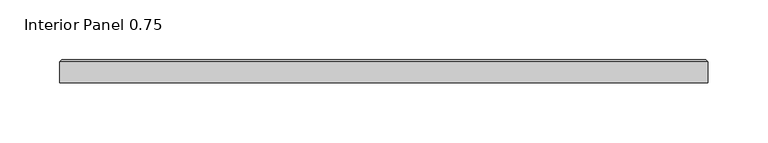
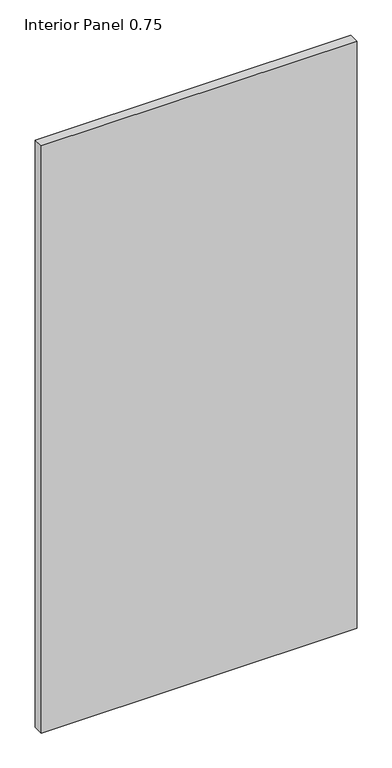
"""IFC4 building model written with IfcOpenShell, lengths in millimetres: proxy geometry, Interior Panel 0.75."""

import ifcopenshell
import ifcopenshell.guid

model = None  # the IFC model being written
_history = None  # IfcOwnerHistory: only IFC2X3 demands one
_inside = {}  # id of a spatial element -> (the spatial element, [elements in it])
_under = {}  # id of a project, library or spatial element -> (it, [spatial elements below it])
_declared = {}  # id of a project -> (the project, [libraries it declares])
_typed = {}  # id of a type object -> (the type object, [elements of that type])
_made_of = {}  # id of a material, layer set ... -> (it, [elements and type objects made of it])


def new_model(schema):
    """Start an empty IFC model of exactly this schema.

    Asked for "IFC4X3", IfcOpenShell would pick the latest addendum, in which some entities
    have other attributes; the version numbers below select the first issue.
    IFC2X3 requires an IfcOwnerHistory on every rooted entity: one is made here for all.
    """
    global model, _history
    if schema == "IFC4X3":
        model = ifcopenshell.file(schema_version=(4, 3, 0, 0))
    else:
        model = ifcopenshell.file(schema=schema)
    _inside.clear()
    _under.clear()
    _declared.clear()
    _typed.clear()
    _made_of.clear()
    _history = None
    if model.schema == "IFC2X3":
        org = make("IfcOrganization", Name="unknown")
        user = make(
            "IfcPersonAndOrganization",
            ThePerson=make("IfcPerson", FamilyName="unknown"),
            TheOrganization=org,
        )
        app = make(
            "IfcApplication",
            ApplicationDeveloper=org,
            Version="unknown",
            ApplicationFullName="unknown",
            ApplicationIdentifier="unknown",
        )
        _history = make(
            "IfcOwnerHistory",
            OwningUser=user,
            OwningApplication=app,
            ChangeAction="ADDED",
            CreationDate=0,
        )
    return model


def make(cls, **values):
    """One entity of the class cls with the attributes given. An attribute that is None is left unset."""
    return model.create_entity(
        cls, **{name: value for name, value in values.items() if value is not None}
    )


def rooted(cls, **values):
    """An entity with a GlobalId (a new one), such as an element, a storey or a relation."""
    return make(cls, GlobalId=ifcopenshell.guid.new(), OwnerHistory=_history, **values)


def si_unit(unit_type, name, prefix=None):
    """IfcSIUnit, for example si_unit("LENGTHUNIT", "METRE", prefix="MILLI")."""
    return make("IfcSIUnit", UnitType=unit_type, Prefix=prefix, Name=name)


def assignment(units):
    """IfcUnitAssignment: the units of a project."""
    return None if units is None else make("IfcUnitAssignment", Units=units)


def point(xyz):
    """IfcCartesianPoint."""
    return None if xyz is None else make("IfcCartesianPoint", Coordinates=xyz)


def direction(xyz):
    """IfcDirection."""
    return None if xyz is None else make("IfcDirection", DirectionRatios=xyz)


def frame(location, z_axis=None, x_axis=None):
    """IfcAxis2Placement3D, a coordinate frame: its origin and axes. An axis left out is left unset."""
    return make(
        "IfcAxis2Placement3D",
        Location=point(location),
        Axis=direction(z_axis),
        RefDirection=direction(x_axis),
    )


def origin():
    """The frame at (0, 0, 0) with its axes left unset."""
    return frame((0.0, 0.0, 0.0))


def place(relative_to, where):
    """IfcLocalPlacement: puts the frame where relative to a parent placement (None: the world)."""
    return make(
        "IfcLocalPlacement", PlacementRelTo=relative_to, RelativePlacement=where
    )


def context(
    kind, dimensions, precision=None, world=None, true_north=None, identifier=None
):
    """IfcGeometricRepresentationContext, for example the 3D "Model" context."""
    return make(
        "IfcGeometricRepresentationContext",
        ContextIdentifier=identifier,
        ContextType=kind,
        CoordinateSpaceDimension=dimensions,
        Precision=precision,
        WorldCoordinateSystem=world,
        TrueNorth=true_north,
    )


def project(units=None, contexts=None):
    """IfcProject with its units and contexts."""
    return rooted(
        "IfcProject",
        Name="project",
        RepresentationContexts=contexts,
        UnitsInContext=assignment(units),
    )


def spatial(cls, under=None, at=None, **own):
    """A site, building, storey or space (cls), placed at a placement, below another one or the project."""
    s = rooted(cls, ObjectPlacement=at, **own)
    if under is not None:
        _under.setdefault(under.id(), (under, []))[1].append(s)
    return s


def faces_of(points, faces, orient=None, outer=None):
    """IfcFace entities. A face is a list of loops; a loop is a list of indices into points, from 0.

    orient and outer hold one flag for each loop. By default every Orientation is true, the
    first loop of a face is its IfcFaceOuterBound and the others are IfcFaceBound.
    """
    made = []
    for i, loops in enumerate(faces):
        bounds = []
        for j, loop in enumerate(loops):
            is_outer = j == 0 if outer is None else outer[i][j]
            bounds.append(
                make(
                    "IfcFaceOuterBound" if is_outer else "IfcFaceBound",
                    Bound=make("IfcPolyLoop", Polygon=[points[k] for k in loop]),
                    Orientation=True if orient is None else orient[i][j],
                )
            )
        made.append(make("IfcFace", Bounds=bounds))
    return made


def faceted_brep(points, faces, orient=None, outer=None, voids=None):
    """IfcFacetedBrep: a solid bounded by flat faces; with voids (closed shells), ...WithVoids."""
    shared = [point(p) for p in points]
    hull = make("IfcClosedShell", CfsFaces=faces_of(shared, faces, orient, outer))
    if voids is None:
        return make("IfcFacetedBrep", Outer=hull)
    return make(
        "IfcFacetedBrepWithVoids",
        Outer=hull,
        Voids=[
            make(cls, CfsFaces=faces_of(shared, fs, o, b)) for cls, fs, o, b in voids
        ],
    )


def shape(context_of_items, identifier, shape_type, items):
    """IfcShapeRepresentation: the items that make up one representation, for example the "Body"."""
    return make(
        "IfcShapeRepresentation",
        ContextOfItems=context_of_items,
        RepresentationIdentifier=identifier,
        RepresentationType=shape_type,
        Items=items,
    )


def source(mapping_origin, context_of_items, identifier, shape_type, items):
    """IfcRepresentationMap: a shape defined once, which mapped items show again and again."""
    return make(
        "IfcRepresentationMap",
        MappingOrigin=mapping_origin,
        MappedRepresentation=shape(context_of_items, identifier, shape_type, items),
    )


def transform(
    local_origin,
    x_axis=None,
    y_axis=None,
    z_axis=None,
    scale=None,
    scale2=None,
    scale3=None,
    uniform=True,
):
    """IfcCartesianTransformationOperator3D, or its non-uniform kind. x_axis, y_axis, z_axis: its Axis1, 2, 3."""
    if uniform:
        return make(
            "IfcCartesianTransformationOperator3D",
            Axis1=direction(x_axis),
            Axis2=direction(y_axis),
            LocalOrigin=point(local_origin),
            Scale=scale,
            Axis3=direction(z_axis),
        )
    return make(
        "IfcCartesianTransformationOperator3DnonUniform",
        Axis1=direction(x_axis),
        Axis2=direction(y_axis),
        LocalOrigin=point(local_origin),
        Scale=scale,
        Axis3=direction(z_axis),
        Scale2=scale2,
        Scale3=scale3,
    )


def mapped(mapping_source, mapping_target):
    """IfcMappedItem: shows the shape of a source again, moved by a transform."""
    return make(
        "IfcMappedItem", MappingSource=mapping_source, MappingTarget=mapping_target
    )


def made_of(thing, what):
    """Note that an element or type object is made of a material, layer set ...; save() writes the relation."""
    if what is not None:
        _made_of.setdefault(what.id(), (what, []))[1].append(thing)
    return thing


def element(
    cls,
    number,
    at=None,
    inside=None,
    cuts=None,
    type_object=None,
    material=None,
    context=None,
    identifier="Body",
    shape_type=None,
    held_by="IfcProductDefinitionShape",
    body=None,
    shapes=None,
    **own,
):
    """One element of the class cls, such as IfcWall. Its Tag is "e" and its number.

    at: its placement. inside: the storey or other place that contains it. cuts: it is an
    opening in that element (IfcRelVoidsElement). A single representation is given by context,
    identifier, shape_type and body (its items); several are given by shapes. held_by: the class
    of the entity that holds the representations. save() writes the other relations.
    """
    e = rooted(cls, Tag="e%d" % number, ObjectPlacement=at, **own)
    if body is not None:
        shapes = [shape(context, identifier, shape_type, body)]
    if shapes is not None:
        e.Representation = make(held_by, Representations=shapes)
    if inside is not None:
        _inside.setdefault(inside.id(), (inside, []))[1].append(e)
    if cuts is not None:
        rooted(
            "IfcRelVoidsElement", RelatingBuildingElement=cuts, RelatedOpeningElement=e
        )
    if type_object is not None:
        _typed.setdefault(type_object.id(), (type_object, []))[1].append(e)
    return made_of(e, material)


def aggregate(whole, parts):
    """IfcRelAggregates: a whole, such as a stair, and the parts it consists of."""
    return rooted("IfcRelAggregates", RelatingObject=whole, RelatedObjects=parts)


def save(model, path):
    """Write the relations noted so far, then the file.

    IfcRelAggregates (storeys below a building ...), IfcRelContainedInSpatialStructure (elements
    in a storey), IfcRelDefinesByType, IfcRelAssociatesMaterial and IfcRelDeclares: one each for
    every whole, place, type object, material and project.
    """
    for whole, parts in _under.values():
        aggregate(whole, parts)
    for where, things in _inside.values():
        rooted(
            "IfcRelContainedInSpatialStructure",
            RelatedElements=things,
            RelatingStructure=where,
        )
    for kind, things in _typed.values():
        rooted("IfcRelDefinesByType", RelatedObjects=things, RelatingType=kind)
    for what, things in _made_of.values():
        rooted("IfcRelAssociatesMaterial", RelatedObjects=things, RelatingMaterial=what)
    for by, libraries in _declared.values():
        rooted("IfcRelDeclares", RelatingContext=by, RelatedDefinitions=libraries)
    model.write(path)


def interior_panel_0_75_87cde6cd(model_context):
    return source(origin(), model_context, "Body", "Brep", [
        faceted_brep([(468.3125, -3.175, 1063.625), (468.3125, 14.2875, 1063.625), (-73.025, 14.2875, 1063.625), (-73.025, -3.175, 1063.625), (468.3125, -3.175, 0.0), (-73.025, -3.175, 0.0), (-73.025, 14.2875, 0.0), (468.3125, 14.2875, 0.0), (-71.4375, 15.875, 1062.0375), (466.725, 15.875, 1062.0375), (466.725, 15.875, 1.5875), (-71.4375, 15.875, 1.5875)], [[[0, 1, 2, 3]], [[4, 5, 6, 7]], [[3, 5, 4, 0]], [[2, 6, 5, 3]], [[8, 9, 10, 11]], [[0, 4, 7, 1]], [[2, 8, 11, 6]], [[7, 10, 9, 1]], [[1, 9, 8, 2]], [[6, 11, 10, 7]]]),
    ])


if __name__ == "__main__":
    model = new_model("IFC4")
    model_context = context("Model", 3, world=origin())
    ifc_project = project(units=[si_unit("LENGTHUNIT", "METRE", prefix="MILLI")], contexts=[model_context])
    site = spatial("IfcSite", under=ifc_project)
    building = spatial("IfcBuilding", under=site)
    placement = place(None, origin())
    interior_panel_0_75_shape = interior_panel_0_75_87cde6cd(model_context)
    element("IfcBuildingElementProxy", 1, Name="Interior Panel 0.75", ObjectType="Interior Panel 0.75", at=placement, inside=building, context=model_context, shape_type="MappedRepresentation", body=[
        mapped(interior_panel_0_75_shape, transform((0.0, 0.0, 0.0), x_axis=(1.0, 0.0, 0.0), y_axis=(0.0, 1.0, 0.0), z_axis=(0.0, 0.0, 1.0))),
    ])
    save(model, "model.ifc")
